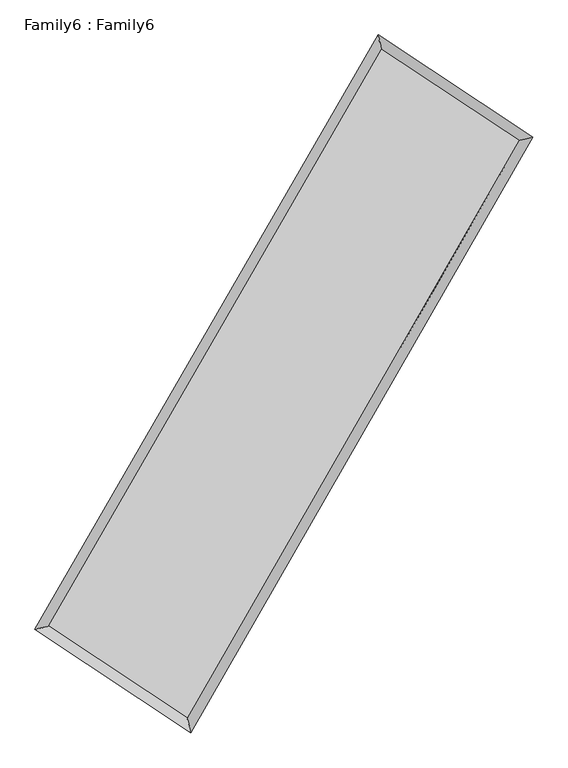
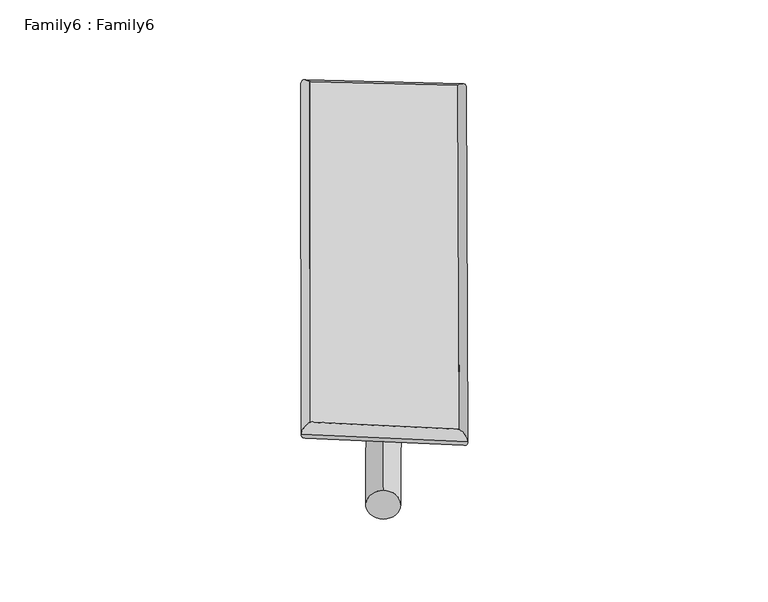
"""IFC4 building model written with IfcOpenShell, lengths in millimetres: plate geometry, Family6 : Family6."""

from ifc_helpers import new_model, si_unit, point, frame, origin, origin_2d, place, context, project, spatial, circle_curve, ellipse_curve, trimmed, segment, composite_curve, outline, extrude, source, transform, mapped, element, save
from ifc_brep_helpers import plane_surface, cylinder_surface, spline_surface, advanced_brep


def family6_family6_10f4efaf(model_context):
    return source(origin(), model_context, "Body", "SolidModel", [
        extrude(outline(composite_curve([segment(trimmed(circle_curve(origin_2d(), 76.2), [point((-75.4341515, -10.7763074))], [point((75.4341515, 10.7763074))], False, "CARTESIAN"), True, "CONTINUOUS"), segment(trimmed(circle_curve(origin_2d(), 76.2), [point((75.4341515, 10.7763074))], [point((-75.4341515, -10.7763074))], False, "CARTESIAN"), True, "CONTINUOUS")], self_intersect=False)), frame((9144.0, 9144.0, 0.0), z_axis=(0.6676647112715027, 0.6899644828000688, 0.2795940732511589), x_axis=(-0.6824152383210313, 0.7173215665269995, -0.14056746672861883)), (0.0, 0.0, 1.0), 5508.4830662),
        extrude(outline(composite_curve([segment(trimmed(circle_curve(origin_2d(), 76.2), [point((-53.8815367, 53.8815367))], [point((53.8815367, -53.8815367))], False, "CARTESIAN"), True, "CONTINUOUS"), segment(trimmed(circle_curve(origin_2d(), 76.2), [point((53.8815367, -53.8815367))], [point((-53.8815367, 53.8815367))], False, "CARTESIAN"), True, "CONTINUOUS")], self_intersect=False)), frame((9144.0, 9144.0, 0.0), z_axis=(-0.6691484950878469, -0.6885596892013557, 0.2795100104264644), x_axis=(0.6464526539235401, -0.3538410829170077, 0.6759404221344741)), (0.0, 0.0, 1.0), 5510.159158),
        extrude(outline(composite_curve([segment(trimmed(circle_curve(origin_2d(), 76.2), [point((-53.8815367, -53.8815367))], [point((53.8815367, 53.8815367))], False, "CARTESIAN"), True, "CONTINUOUS"), segment(trimmed(circle_curve(origin_2d(), 76.2), [point((53.8815367, 53.8815367))], [point((-53.8815367, -53.8815367))], False, "CARTESIAN"), True, "CONTINUOUS")], self_intersect=False)), frame((9144.0, 9144.0, 0.0), z_axis=(0.26888745877147163, 0.9256081171557953, 0.2663628126648384), x_axis=(-0.8400388239071686, 0.3606599893736896, -0.40528896653330104)), (0.0, 0.0, 1.0), 5649.8487886),
        extrude(outline(composite_curve([segment(trimmed(circle_curve(origin_2d(), 76.2), [point((-75.4341514, 10.7763073))], [point((75.4341514, -10.7763073))], False, "CARTESIAN"), True, "CONTINUOUS"), segment(trimmed(circle_curve(origin_2d(), 76.2), [point((75.4341514, -10.7763073))], [point((-75.4341514, 10.7763073))], False, "CARTESIAN"), True, "CONTINUOUS")], self_intersect=False)), frame((9144.0, 9144.0, 0.0), z_axis=(-0.2672472101864309, -0.9261437526438351, 0.2661516073337988), x_axis=(0.8815009895748632, -0.12338594361211651, 0.45577616688181993)), (0.0, 0.0, 1.0), 5654.9630834),
        advanced_brep(
        [(5253.3919037, 5302.1126366, 1537.3699223), (5253.3539026, 5302.059822, 1543.5669311), (5660.3786798, 5397.7404088, 1542.9193651), (10714.1643563, 14157.0400633, 1508.7164398), (10612.1826101, 14590.0517356, 1501.1027891), (5660.4166809, 5397.7932235, 1536.7223562), (12618.4505974, 12896.522196, 1539.7948291), (13025.1889144, 12992.7931435, 1540.4836067), (7581.4972908, 4123.5408785, 1505.761103), (7683.9564937, 3689.8416593, 1504.3939251)],
        [
            (0, 1, ellipse_curve(frame((5456.8852917, 5349.9265227, 1540.1446437), z_axis=(-0.2288196575037439, 0.9734444253687208, 0.006893116742832974), x_axis=(-0.9733748329309858, -0.22889022687140662, 0.012275938226111664)), 209.1138572, 152.4)),
            (1, 2, ellipse_curve(frame((5456.8852917, 5349.9265227, 1540.1446437), z_axis=(-0.2288196575037439, 0.9734444253687208, 0.006893116742832974), x_axis=(-0.9733748329309858, -0.22889022687140662, 0.012275938226111664)), 209.1138572, 152.4)),
            (2, 3),
            (3, 4, ellipse_curve(frame((10663.1734832, 14373.5458994, 1504.9096145), z_axis=(-0.9733123107316566, -0.2293631289392968, -0.007463300970664744), x_axis=(0.2292692107272844, -0.9732932001336544, 0.011660857004448046)), 222.4657316, 152.4)),
            (4, 0),
            (2, 5, ellipse_curve(frame((5456.8852917, 5349.9265227, 1540.1446437), z_axis=(-0.2288196575037439, 0.9734444253687208, 0.006893116742832974), x_axis=(-0.9733748329309858, -0.22889022687140662, 0.012275938226111664)), 209.1138572, 152.4)),
            (5, 0, ellipse_curve(frame((5456.8852917, 5349.9265227, 1540.1446437), z_axis=(-0.2288196575037439, 0.9734444253687208, 0.006893116742832974), x_axis=(-0.9733748329309858, -0.22889022687140662, 0.012275938226111664)), 209.1138572, 152.4)),
            (4, 3, ellipse_curve(frame((10663.1734832, 14373.5458994, 1504.9096145), z_axis=(-0.9733123107316566, -0.2293631289392968, -0.007463300970664744), x_axis=(0.2292692107272844, -0.9732932001336544, 0.011660857004448046)), 222.4657316, 152.4)),
            (3, 6),
            (6, 7, ellipse_curve(frame((12821.8197559, 12944.6576698, 1540.1392179), z_axis=(-0.23030940813333456, 0.9730921040768638, -0.007023781640618368), x_axis=(-0.9730212186322832, -0.23038213955051998, -0.012400720441618905)), 208.9990547, 152.4)),
            (7, 4),
            (7, 6, ellipse_curve(frame((12821.8197559, 12944.6576698, 1540.1392179), z_axis=(-0.23030940813333456, 0.9730921040768638, -0.007023781640618368), x_axis=(-0.9730212186322832, -0.23038213955051998, -0.012400720441618905)), 208.9990547, 152.4)),
            (6, 8),
            (8, 9, ellipse_curve(frame((7632.7268923, 3906.6912689, 1505.0775141), z_axis=(0.9731789497049369, 0.229931701786986, -0.007358285434539954), x_axis=(-0.2298402703848707, 0.9731603036052524, 0.011509717474488316)), 222.8289001, 152.4)),
            (9, 7),
            (9, 8, ellipse_curve(frame((7632.7268923, 3906.6912689, 1505.0775141), z_axis=(0.9731789497049369, 0.229931701786986, -0.007358285434539954), x_axis=(-0.2298402703848707, 0.9731603036052524, 0.011509717474488316)), 222.8289001, 152.4)),
            (8, 5),
            (1, 9),
        ],
        [
            cylinder_surface(frame((5456.8852917, 5349.9265227, 1540.1446437), z_axis=(-0.49974508489860175, -0.8661659258309234, 0.003382166339574154), x_axis=(-0.8660089831423562, 0.49957104100711736, -0.02138261218390205)), 152.4),
            cylinder_surface(frame((10663.1734832, 14373.5458994, 1504.9096145), z_axis=(-0.8337888042209877, 0.5519158110603262, -0.013607624971242994), x_axis=(0.5520556865966719, 0.8337410151289041, -0.010508976548724586)), 152.4),
            cylinder_surface(frame((12821.8197559, 12944.6576698, 1540.1392179), z_axis=(0.4979102152565781, 0.8672220587245046, 0.0033642836949750606), x_axis=(0.8672281203521119, -0.497910215256578, -0.0008971140903795252)), 152.4),
            cylinder_surface(frame((7632.7268923, 3906.6912689, 1505.0775141), z_axis=(0.8332678486677151, -0.5527063802745956, -0.013429429639123434), x_axis=(-0.5526193541875808, -0.8333756979387192, 0.009838468501436154)), 152.4),
        ],
        [
            (0, [[1, 2, 3, 4, 5]]),
            (0, [[6, 7, -5, 8, -3]]),
            (1, [[-4, 9, 10, 11]]),
            (1, [[-8, -11, 12, -9]]),
            (2, [[-10, 13, 14, 15]]),
            (2, [[-12, -15, 16, -13]]),
            (3, [[-14, 17, -6, -2, 18]]),
            (3, [[-16, -18, -1, -7, -17]]),
        ],
    ),
        extrude(outline(composite_curve([segment(trimmed(circle_curve(origin_2d(), 304.8), [point((1e-07, -304.8))], [point((0.0, 304.8))], False, "CARTESIAN"), True, "CONTINUOUS"), segment(trimmed(circle_curve(origin_2d(), 304.8), [point((0.0, 304.8))], [point((1e-07, -304.8))], False, "CARTESIAN"), True, "CONTINUOUS")], self_intersect=False)), frame((6524.0633197, 4634.0068914, -0.0041759), z_axis=(0.5023120142046689, 0.8646864405002587, 8.006294577132067e-07), x_axis=(-0.8646864405006026, 0.502312014204669, 2.1567475732146128e-07)), (0.0, 0.0, 1.0), 10431.5111174),
        advanced_brep(
        [(5456.8852917, 5349.9265227, 1540.1446437), (7632.7268923, 3906.6912689, 1505.0775141), (7632.7310313, 3906.690279, 1657.477514), (5456.8894308, 5349.9255328, 1692.5446436), (12821.8197559, 12944.6576698, 1540.1392179), (12821.823895, 12944.6566798, 1692.5392178), (10663.1734832, 14373.5458994, 1504.9096145), (10663.1776223, 14373.5449095, 1657.3096144)],
        [
            (0, 1),
            (1, 2),
            (2, 3),
            (3, 0),
            (1, 4),
            (4, 5),
            (5, 2),
            (4, 6),
            (6, 7),
            (7, 5),
            (6, 0),
            (3, 7),
        ],
        [
            plane_surface(frame((6544.806092, 4628.3088958, 1522.6110789), z_axis=(-0.5527561197354229, -0.8333430698115232, 9.599260693511809e-06), x_axis=(0.8332678486677155, -0.552706380274595, -0.013429429639123452))),
            plane_surface(frame((10227.2733241, 8425.6744693, 1522.608366), z_axis=(0.867227011112673, -0.49791295472101427, -2.6787476455187274e-05), x_axis=(0.4979102152565775, 0.8672220587245048, 0.0033642836949750537))),
            plane_surface(frame((11742.4966196, 13659.1017846, 1522.5244162), z_axis=(0.5519670252066851, 0.833865938261549, -9.574433118662504e-06), x_axis=(-0.8337888042209878, 0.5519158110603261, -0.013607624971243))),
            plane_surface(frame((8060.0293875, 9861.7362111, 1522.5271291), z_axis=(-0.8661708343714043, 0.49974802147449715, 2.6770711596105353e-05), x_axis=(-0.499745084898602, -0.8661659258309233, 0.0033821663395741546))),
            spline_surface(1, 1, [[(7632.7310313, 3906.690279, 1657.477514), (5456.8894308, 5349.9255328, 1692.5446436)], [(12821.823895, 12944.6566798, 1692.5392178), (10663.1776223, 14373.5449095, 1657.3096144)]], [2, 2], [2, 2], [0.0, 1.0], [0.0, 1.0]),
            spline_surface(1, 1, [[(10663.1734832, 14373.5458994, 1504.9096145), (5456.8852917, 5349.9265227, 1540.1446437)], [(12821.8197559, 12944.6576698, 1540.1392179), (7632.7268923, 3906.6912689, 1505.0775141)]], [2, 2], [2, 2], [0.0, 1.0], [0.0, 1.0]),
        ],
        [
            (0, [[1, 2, 3, 4]]),
            (1, [[5, 6, 7, -2]]),
            (2, [[8, 9, 10, -6]]),
            (3, [[11, -4, 12, -9]]),
            (4, [[-3, -7, -10, -12]]),
            (5, [[-11, -8, -5, -1]]),
        ],
    ),
    ])


if __name__ == "__main__":
    model = new_model("IFC4")
    model_context = context("Model", 3, world=origin())
    ifc_project = project(units=[si_unit("LENGTHUNIT", "METRE", prefix="MILLI")], contexts=[model_context])
    site = spatial("IfcSite", under=ifc_project)
    building = spatial("IfcBuilding", under=site)
    placement = place(None, origin())
    family6_family6_shape = family6_family6_10f4efaf(model_context)
    element("IfcPlate", 1, ObjectType="Family6 : Family6", at=placement, inside=building, context=model_context, shape_type="MappedRepresentation", body=[
        mapped(family6_family6_shape, transform((0.0, 0.0, 0.0), x_axis=(1.0, 0.0, 0.0), y_axis=(0.0, 1.0, 0.0), z_axis=(0.0, 0.0, 1.0))),
    ])
    save(model, "model.ifc")
